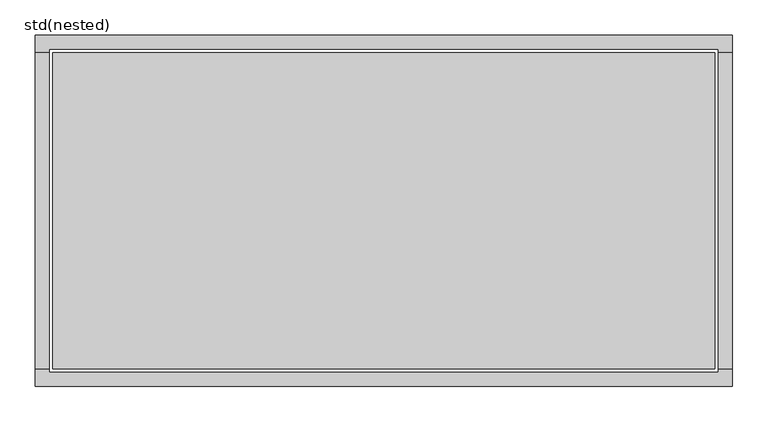
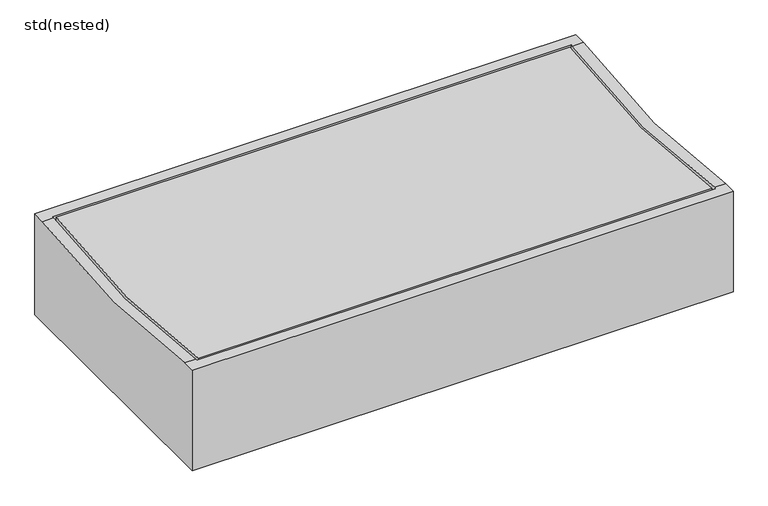
"""IFC4 building model written with IfcOpenShell, lengths in millimetres: sanitary terminal geometry, std(nested)."""

import ifcopenshell
import ifcopenshell.guid

model = None  # the IFC model being written
_history = None  # IfcOwnerHistory: only IFC2X3 demands one
_inside = {}  # id of a spatial element -> (the spatial element, [elements in it])
_under = {}  # id of a project, library or spatial element -> (it, [spatial elements below it])
_declared = {}  # id of a project -> (the project, [libraries it declares])
_typed = {}  # id of a type object -> (the type object, [elements of that type])
_made_of = {}  # id of a material, layer set ... -> (it, [elements and type objects made of it])


def new_model(schema):
    """Start an empty IFC model of exactly this schema.

    Asked for "IFC4X3", IfcOpenShell would pick the latest addendum, in which some entities
    have other attributes; the version numbers below select the first issue.
    IFC2X3 requires an IfcOwnerHistory on every rooted entity: one is made here for all.
    """
    global model, _history
    if schema == "IFC4X3":
        model = ifcopenshell.file(schema_version=(4, 3, 0, 0))
    else:
        model = ifcopenshell.file(schema=schema)
    _inside.clear()
    _under.clear()
    _declared.clear()
    _typed.clear()
    _made_of.clear()
    _history = None
    if model.schema == "IFC2X3":
        org = make("IfcOrganization", Name="unknown")
        user = make(
            "IfcPersonAndOrganization",
            ThePerson=make("IfcPerson", FamilyName="unknown"),
            TheOrganization=org,
        )
        app = make(
            "IfcApplication",
            ApplicationDeveloper=org,
            Version="unknown",
            ApplicationFullName="unknown",
            ApplicationIdentifier="unknown",
        )
        _history = make(
            "IfcOwnerHistory",
            OwningUser=user,
            OwningApplication=app,
            ChangeAction="ADDED",
            CreationDate=0,
        )
    return model


def make(cls, **values):
    """One entity of the class cls with the attributes given. An attribute that is None is left unset."""
    return model.create_entity(
        cls, **{name: value for name, value in values.items() if value is not None}
    )


def rooted(cls, **values):
    """An entity with a GlobalId (a new one), such as an element, a storey or a relation."""
    return make(cls, GlobalId=ifcopenshell.guid.new(), OwnerHistory=_history, **values)


def si_unit(unit_type, name, prefix=None):
    """IfcSIUnit, for example si_unit("LENGTHUNIT", "METRE", prefix="MILLI")."""
    return make("IfcSIUnit", UnitType=unit_type, Prefix=prefix, Name=name)


def assignment(units):
    """IfcUnitAssignment: the units of a project."""
    return None if units is None else make("IfcUnitAssignment", Units=units)


def point(xyz):
    """IfcCartesianPoint."""
    return None if xyz is None else make("IfcCartesianPoint", Coordinates=xyz)


def direction(xyz):
    """IfcDirection."""
    return None if xyz is None else make("IfcDirection", DirectionRatios=xyz)


def frame(location, z_axis=None, x_axis=None):
    """IfcAxis2Placement3D, a coordinate frame: its origin and axes. An axis left out is left unset."""
    return make(
        "IfcAxis2Placement3D",
        Location=point(location),
        Axis=direction(z_axis),
        RefDirection=direction(x_axis),
    )


def origin():
    """The frame at (0, 0, 0) with its axes left unset."""
    return frame((0.0, 0.0, 0.0))


def place(relative_to, where):
    """IfcLocalPlacement: puts the frame where relative to a parent placement (None: the world)."""
    return make(
        "IfcLocalPlacement", PlacementRelTo=relative_to, RelativePlacement=where
    )


def context(
    kind, dimensions, precision=None, world=None, true_north=None, identifier=None
):
    """IfcGeometricRepresentationContext, for example the 3D "Model" context."""
    return make(
        "IfcGeometricRepresentationContext",
        ContextIdentifier=identifier,
        ContextType=kind,
        CoordinateSpaceDimension=dimensions,
        Precision=precision,
        WorldCoordinateSystem=world,
        TrueNorth=true_north,
    )


def project(units=None, contexts=None):
    """IfcProject with its units and contexts."""
    return rooted(
        "IfcProject",
        Name="project",
        RepresentationContexts=contexts,
        UnitsInContext=assignment(units),
    )


def spatial(cls, under=None, at=None, **own):
    """A site, building, storey or space (cls), placed at a placement, below another one or the project."""
    s = rooted(cls, ObjectPlacement=at, **own)
    if under is not None:
        _under.setdefault(under.id(), (under, []))[1].append(s)
    return s


def polyline(points):
    """IfcPolyline through the points."""
    return make("IfcPolyline", Points=[point(p) for p in points])


def circle_curve(where, radius):
    """IfcCircle in the frame where."""
    return make("IfcCircle", Position=where, Radius=radius)


def shape(context_of_items, identifier, shape_type, items):
    """IfcShapeRepresentation: the items that make up one representation, for example the "Body"."""
    return make(
        "IfcShapeRepresentation",
        ContextOfItems=context_of_items,
        RepresentationIdentifier=identifier,
        RepresentationType=shape_type,
        Items=items,
    )


def source(mapping_origin, context_of_items, identifier, shape_type, items):
    """IfcRepresentationMap: a shape defined once, which mapped items show again and again."""
    return make(
        "IfcRepresentationMap",
        MappingOrigin=mapping_origin,
        MappedRepresentation=shape(context_of_items, identifier, shape_type, items),
    )


def transform(
    local_origin,
    x_axis=None,
    y_axis=None,
    z_axis=None,
    scale=None,
    scale2=None,
    scale3=None,
    uniform=True,
):
    """IfcCartesianTransformationOperator3D, or its non-uniform kind. x_axis, y_axis, z_axis: its Axis1, 2, 3."""
    if uniform:
        return make(
            "IfcCartesianTransformationOperator3D",
            Axis1=direction(x_axis),
            Axis2=direction(y_axis),
            LocalOrigin=point(local_origin),
            Scale=scale,
            Axis3=direction(z_axis),
        )
    return make(
        "IfcCartesianTransformationOperator3DnonUniform",
        Axis1=direction(x_axis),
        Axis2=direction(y_axis),
        LocalOrigin=point(local_origin),
        Scale=scale,
        Axis3=direction(z_axis),
        Scale2=scale2,
        Scale3=scale3,
    )


def mapped(mapping_source, mapping_target):
    """IfcMappedItem: shows the shape of a source again, moved by a transform."""
    return make(
        "IfcMappedItem", MappingSource=mapping_source, MappingTarget=mapping_target
    )


def made_of(thing, what):
    """Note that an element or type object is made of a material, layer set ...; save() writes the relation."""
    if what is not None:
        _made_of.setdefault(what.id(), (what, []))[1].append(thing)
    return thing


def element(
    cls,
    number,
    at=None,
    inside=None,
    cuts=None,
    type_object=None,
    material=None,
    context=None,
    identifier="Body",
    shape_type=None,
    held_by="IfcProductDefinitionShape",
    body=None,
    shapes=None,
    **own,
):
    """One element of the class cls, such as IfcWall. Its Tag is "e" and its number.

    at: its placement. inside: the storey or other place that contains it. cuts: it is an
    opening in that element (IfcRelVoidsElement). A single representation is given by context,
    identifier, shape_type and body (its items); several are given by shapes. held_by: the class
    of the entity that holds the representations. save() writes the other relations.
    """
    e = rooted(cls, Tag="e%d" % number, ObjectPlacement=at, **own)
    if body is not None:
        shapes = [shape(context, identifier, shape_type, body)]
    if shapes is not None:
        e.Representation = make(held_by, Representations=shapes)
    if inside is not None:
        _inside.setdefault(inside.id(), (inside, []))[1].append(e)
    if cuts is not None:
        rooted(
            "IfcRelVoidsElement", RelatingBuildingElement=cuts, RelatedOpeningElement=e
        )
    if type_object is not None:
        _typed.setdefault(type_object.id(), (type_object, []))[1].append(e)
    return made_of(e, material)


def aggregate(whole, parts):
    """IfcRelAggregates: a whole, such as a stair, and the parts it consists of."""
    return rooted("IfcRelAggregates", RelatingObject=whole, RelatedObjects=parts)


def save(model, path):
    """Write the relations noted so far, then the file.

    IfcRelAggregates (storeys below a building ...), IfcRelContainedInSpatialStructure (elements
    in a storey), IfcRelDefinesByType, IfcRelAssociatesMaterial and IfcRelDeclares: one each for
    every whole, place, type object, material and project.
    """
    for whole, parts in _under.values():
        aggregate(whole, parts)
    for where, things in _inside.values():
        rooted(
            "IfcRelContainedInSpatialStructure",
            RelatedElements=things,
            RelatingStructure=where,
        )
    for kind, things in _typed.values():
        rooted("IfcRelDefinesByType", RelatedObjects=things, RelatingType=kind)
    for what, things in _made_of.values():
        rooted("IfcRelAssociatesMaterial", RelatedObjects=things, RelatingMaterial=what)
    for by, libraries in _declared.values():
        rooted("IfcRelDeclares", RelatingContext=by, RelatedDefinitions=libraries)
    model.write(path)


def plane_surface(at):
    """IfcPlane: the flat surface through the origin of the frame at, square to its z axis."""
    return make("IfcPlane", Position=at)


def revolved_surface(curve, axis_point, axis_direction):
    """IfcSurfaceOfRevolution: the curve turned about the line through axis_point along axis_direction."""
    return make(
        "IfcSurfaceOfRevolution",
        SweptCurve=make("IfcArbitraryOpenProfileDef", ProfileType="CURVE", Curve=curve),
        AxisPosition=make("IfcAxis1Placement", Location=point(axis_point), Axis=direction(axis_direction)),
    )


def advanced_brep(points, edges, surfaces, faces):
    """IfcAdvancedBrep: a solid bounded by faces that lie on surfaces and meet in shared edges.

    An edge is (start, end): straight between two places in points (the first is 0);
    or (start, end, curve); or (start, end, curve, False) where it runs against its curve.
    A face is (place in surfaces, loops), or (place, loops, False) where it looks against
    its surface's normal. A loop lists edges by number (the first is 1), with a minus sign
    where the edge is run from its end to its start. The first loop is the outer one.
    """
    corners = [point(p) for p in points]
    vertices = [make("IfcVertexPoint", VertexGeometry=c) for c in corners]
    made = []
    for start, end, *more in edges:
        made.append(
            make(
                "IfcEdgeCurve",
                EdgeStart=vertices[start],
                EdgeEnd=vertices[end],
                EdgeGeometry=more[0] if more else make("IfcPolyline", Points=[corners[start], corners[end]]),
                SameSense=more[1] if len(more) > 1 else True,
            )
        )
    hull = []
    for where, loops, *sense in faces:
        bounds = []
        for j, loop in enumerate(loops):
            ring = [make("IfcOrientedEdge", EdgeElement=made[abs(k) - 1], Orientation=k > 0) for k in loop]
            bounds.append(
                make(
                    "IfcFaceOuterBound" if j == 0 else "IfcFaceBound",
                    Bound=make("IfcEdgeLoop", EdgeList=ring),
                    Orientation=True,
                )
            )
        hull.append(make("IfcAdvancedFace", Bounds=bounds, FaceSurface=surfaces[where], SameSense=sense[0] if sense else True))
    return make("IfcAdvancedBrep", Outer=make("IfcClosedShell", CfsFaces=hull))


def std_nested_982d7bab(model_context):
    return source(origin(), model_context, "Body", "AdvancedBrep", [
        advanced_brep(
        [(496.0, 250.0, -195.0), (496.0, -250.0, -195.0), (-496.0, -250.0, -195.0), (-496.0, 250.0, -195.0), (476.0, 230.0, -195.0), (-476.0, 230.0, -195.0), (-476.0, -230.0, -195.0), (476.0, -230.0, -195.0), (496.0, 250.0, 0.0), (-496.0, 250.0, 0.0), (-496.0, 226.0, 0.0), (-476.0, 226.0, 0.0), (-476.0, 230.0, 0.0), (476.0, 230.0, 0.0), (476.0, 226.0, 0.0), (496.0, 226.0, 0.0), (-496.0, -250.0, 0.0), (496.0, -250.0, 0.0), (496.0, -226.0, 0.0), (476.0, -226.0, 0.0), (476.0, -230.0, 0.0), (-476.0, -230.0, 0.0), (-476.0, -226.0, 0.0), (-496.0, -226.0, 0.0)],
        [
            (0, 1),
            (1, 2),
            (2, 3),
            (3, 0),
            (4, 5),
            (5, 6),
            (6, 7),
            (7, 4),
            (8, 9),
            (9, 10),
            (10, 11),
            (11, 12),
            (12, 13),
            (13, 14),
            (14, 15),
            (15, 8),
            (16, 17),
            (17, 18),
            (18, 19),
            (19, 20),
            (20, 21),
            (21, 22),
            (22, 23),
            (23, 16),
            (3, 9),
            (8, 0),
            (2, 16),
            (23, 10, circle_curve(frame((-496.0, 0.0, 1266.8356796), z_axis=(1.0, 0.0, 0.0), x_axis=(0.0, 1.0, 0.0)), 1286.8366792)),
            (1, 17),
            (15, 18, circle_curve(frame((496.0, 0.0, 1266.8356796), z_axis=(-1.0, 0.0, 0.0), x_axis=(0.0, 1.0, 0.0)), 1286.8366792)),
            (22, 11, circle_curve(frame((-476.0, 0.0, 1266.8356796), z_axis=(1.0, 0.0, 0.0), x_axis=(0.0, 1.0, 0.0)), 1286.8366792)),
            (14, 19, circle_curve(frame((476.0, 0.0, 1266.8356796), z_axis=(-1.0, 0.0, 0.0), x_axis=(0.0, 1.0, 0.0)), 1286.8366792)),
            (4, 13),
            (12, 5),
            (21, 6),
            (20, 7),
        ],
        [
            plane_surface(frame((-496.0, 250.0, -195.0), z_axis=(0.0, 0.0, -1.0), x_axis=(1.0, 0.0, 0.0))),
            plane_surface(frame((-496.0, 250.0, 0.0), z_axis=(0.0, 0.0, 1.0), x_axis=(-1.0, 0.0, 0.0))),
            plane_surface(frame((496.0, 250.0, 0.0), z_axis=(0.0, 1.0, 0.0), x_axis=(0.0, 0.0, -1.0))),
            plane_surface(frame((-496.0, 250.0, 0.0), z_axis=(-1.0, 0.0, 0.0), x_axis=(0.0, 0.0, -1.0))),
            plane_surface(frame((-496.0, -250.0, 0.0), z_axis=(0.0, -1.0, 0.0), x_axis=(0.0, 0.0, -1.0))),
            plane_surface(frame((496.0, -250.0, 0.0), z_axis=(1.0, 0.0, 0.0), x_axis=(0.0, 0.0, -1.0))),
            revolved_surface(polyline([(-476.0, 1286.8366792, 1266.8356796), (-496.0, 1286.8366792, 1266.8356796)]), (-496.0, 0.0, 1266.8356796), (1.0, 0.0, 0.0)),
            revolved_surface(polyline([(496.0, 1286.8366792, 1266.8356796), (476.0, 1286.8366792, 1266.8356796)]), (-496.0, 0.0, 1266.8356796), (1.0, 0.0, 0.0)),
            plane_surface(frame((476.0, 230.0, 10.0), z_axis=(0.0, -1.0, 0.0), x_axis=(0.0, 0.0, -1.0))),
            plane_surface(frame((-476.0, 230.0, 10.0), z_axis=(1.0, 0.0, 0.0), x_axis=(0.0, 0.0, -1.0))),
            plane_surface(frame((-476.0, -230.0, 10.0), z_axis=(0.0, 1.0, 0.0), x_axis=(0.0, 0.0, -1.0))),
            plane_surface(frame((476.0, -230.0, 10.0), z_axis=(-1.0, 0.0, 0.0), x_axis=(0.0, 0.0, -1.0))),
        ],
        [
            (0, [[1, 2, 3, 4], [5, 6, 7, 8]]),
            (1, [[9, 10, 11, 12, 13, 14, 15, 16]]),
            (1, [[17, 18, 19, 20, 21, 22, 23, 24]]),
            (2, [[-4, 25, -9, 26]]),
            (3, [[-3, 27, -24, 28, -10, -25]]),
            (4, [[-2, 29, -17, -27]]),
            (5, [[-1, -26, -16, 30, -18, -29]]),
            (6, [[-28, -23, 31, -11]]),
            (7, [[-30, -15, 32, -19]]),
            (8, [[33, -13, 34, -5]]),
            (9, [[-34, -12, -31, -22, 35, -6]]),
            (10, [[-35, -21, 36, -7]]),
            (11, [[-33, -8, -36, -20, -32, -14]]),
        ],
    ),
        advanced_brep(
        [(471.0, 225.0, -195.0), (471.0, -225.0, -195.0), (-471.0, -225.0, -195.0), (-471.0, 225.0, -195.0), (53.0, 0.0, -195.0), (443.0, 0.0, -195.0), (471.0, -225.0, -0.1779901), (471.0, 225.0, -0.1779901), (-471.0, 225.0, -0.1779901), (-471.0, -225.0, -0.1779901), (53.0, 0.0, -155.0), (443.0, 0.0, -155.0)],
        [
            (0, 1),
            (1, 2),
            (2, 3),
            (3, 0),
            (4, 5, circle_curve(frame((248.0, 0.0, -195.0), z_axis=(0.0, 0.0, 1.0), x_axis=(1.0, 0.0, 0.0)), 195.0)),
            (5, 4, circle_curve(frame((248.0, 0.0, -195.0), z_axis=(0.0, 0.0, 1.0), x_axis=(1.0, 0.0, 0.0)), 195.0)),
            (6, 7, circle_curve(frame((471.0, 0.0, 1266.8356796), z_axis=(1.0, 0.0, 0.0), x_axis=(0.0, 1.0, 0.0)), 1286.8366792)),
            (7, 8),
            (8, 9, circle_curve(frame((-471.0, 0.0, 1266.8356796), z_axis=(-1.0, 0.0, 0.0), x_axis=(0.0, 1.0, 0.0)), 1286.8366792)),
            (9, 6),
            (0, 7),
            (6, 1),
            (9, 2),
            (8, 3),
            (10, 11, circle_curve(frame((248.0, 0.0, -155.0), z_axis=(0.0, 0.0, -1.0), x_axis=(1.0, 0.0, 0.0)), 195.0)),
            (11, 10, circle_curve(frame((248.0, 0.0, -155.0), z_axis=(0.0, 0.0, -1.0), x_axis=(1.0, 0.0, 0.0)), 195.0)),
            (11, 5),
            (4, 10),
        ],
        [
            plane_surface(frame((-496.0, 250.0, -195.0), z_axis=(0.0, 0.0, -1.0), x_axis=(1.0, 0.0, 0.0))),
            revolved_surface(polyline([(471.0, 1286.8366792, 1266.8356796), (-471.0, 1286.8366792, 1266.8356796)]), (-496.0, 0.0, 1266.8356796), (1.0, 0.0, 0.0)),
            plane_surface(frame((471.0, 225.0, 10.0), z_axis=(1.0, 0.0, 0.0), x_axis=(0.0, 0.0, -1.0))),
            plane_surface(frame((471.0, -225.0, 10.0), z_axis=(0.0, -1.0, 0.0), x_axis=(0.0, 0.0, -1.0))),
            plane_surface(frame((-471.0, -225.0, 10.0), z_axis=(-1.0, 0.0, 0.0), x_axis=(0.0, 0.0, -1.0))),
            plane_surface(frame((-471.0, 225.0, 10.0), z_axis=(0.0, 1.0, 0.0), x_axis=(0.0, 0.0, -1.0))),
            plane_surface(frame((443.0, 0.0, -155.0), z_axis=(0.0, 0.0, -1.0), x_axis=(0.0, 1.0, 0.0))),
            revolved_surface(polyline([(443.0, 0.0, -155.0), (443.0, 0.0, -195.0)]), (248.0, 0.0, -215.8189718), (0.0, 0.0, 1.0)),
        ],
        [
            (0, [[1, 2, 3, 4], [5, 6]]),
            (1, [[7, 8, 9, 10]]),
            (2, [[11, -7, 12, -1]]),
            (3, [[-12, -10, 13, -2]]),
            (4, [[-13, -9, 14, -3]]),
            (5, [[-11, -4, -14, -8]]),
            (6, [[15, 16]]),
            (7, [[-16, 17, -5, 18]]),
            (7, [[-15, -18, -6, -17]]),
        ],
    ),
    ])


if __name__ == "__main__":
    model = new_model("IFC4")
    model_context = context("Model", 3, world=origin())
    ifc_project = project(units=[si_unit("LENGTHUNIT", "METRE", prefix="MILLI")], contexts=[model_context])
    site = spatial("IfcSite", under=ifc_project)
    building = spatial("IfcBuilding", under=site)
    placement = place(None, origin())
    std_nested_shape = std_nested_982d7bab(model_context)
    element("IfcSanitaryTerminal", 1, ObjectType="std(nested)", at=placement, inside=building, context=model_context, shape_type="MappedRepresentation", body=[
        mapped(std_nested_shape, transform((0.0, 0.0, 0.0), x_axis=(1.0, 0.0, 0.0), y_axis=(0.0, 1.0, 0.0), z_axis=(0.0, 0.0, 1.0))),
    ])
    save(model, "model.ifc")
